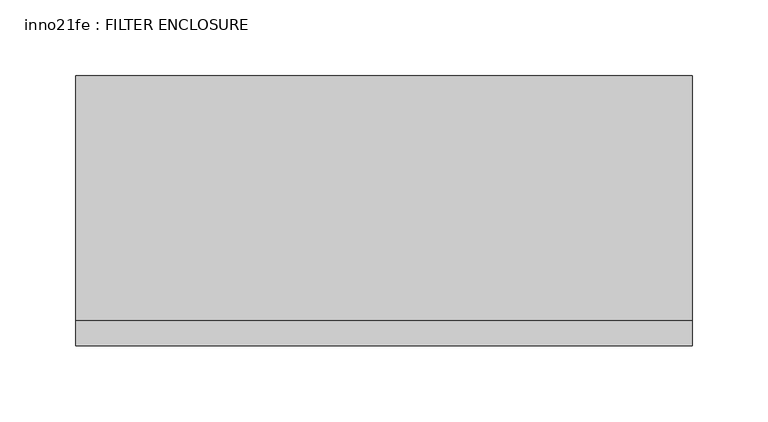
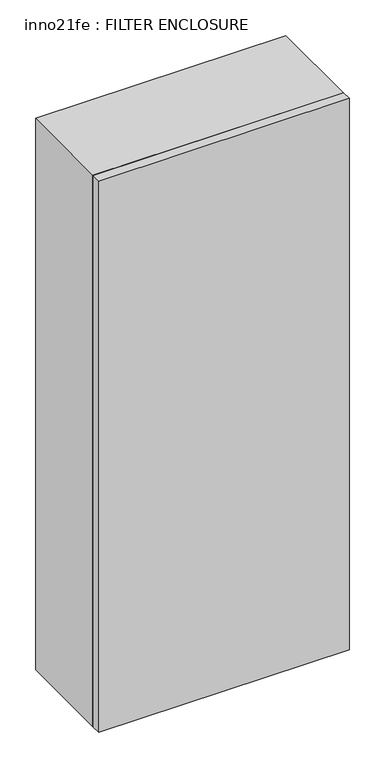
"""IFC4 building model written with IfcOpenShell, lengths in millimetres: proxy geometry, inno21fe : FILTER ENCLOSURE."""

from ifc_helpers import new_model, si_unit, frame, origin, place, context, project, spatial, polyline, outline, extrude, source, transform, mapped, element, save


def inno21fe_filter_enclosure_48a1b161(model_context):
    return source(origin(), model_context, "Body", "SweptSolid", [
        extrude(outline(polyline([(331.7693622, -69.9954773), (-74.6306378, -69.9954773), (-74.6306378, 91.3029439), (331.7693622, 91.3029439), (331.7693622, -69.9954773)])), frame((0.0, 0.0, 1203.5401522), z_axis=(0.0, 0.0, 1.0), x_axis=(1.0, 0.0, 0.0)), (0.0, 0.0, 1.0), 945.7196955),
        extrude(outline(polyline([(331.7693622, -69.9954773), (331.7693622, -86.7510561), (-74.6306378, -86.7510561), (-74.6306378, -69.9954773), (331.7693622, -69.9954773)])), frame((0.0, 0.0, 1203.5401522), z_axis=(0.0, 0.0, 1.0), x_axis=(1.0, 0.0, 0.0)), (0.0, 0.0, 1.0), 945.7196955),
    ])


if __name__ == "__main__":
    model = new_model("IFC4")
    model_context = context("Model", 3, world=origin())
    ifc_project = project(units=[si_unit("LENGTHUNIT", "METRE", prefix="MILLI")], contexts=[model_context])
    site = spatial("IfcSite", under=ifc_project)
    building = spatial("IfcBuilding", under=site)
    placement = place(None, origin())
    inno21fe_filter_enclosure_shape = inno21fe_filter_enclosure_48a1b161(model_context)
    element("IfcBuildingElementProxy", 1, Name="inno21fe : FILTER ENCLOSURE", ObjectType="inno21fe : FILTER ENCLOSURE", at=placement, inside=building, context=model_context, shape_type="MappedRepresentation", body=[
        mapped(inno21fe_filter_enclosure_shape, transform((0.0, 0.0, 0.0), x_axis=(1.0, 0.0, 0.0), y_axis=(0.0, 1.0, 0.0), z_axis=(0.0, 0.0, 1.0))),
    ])
    save(model, "model.ifc")
